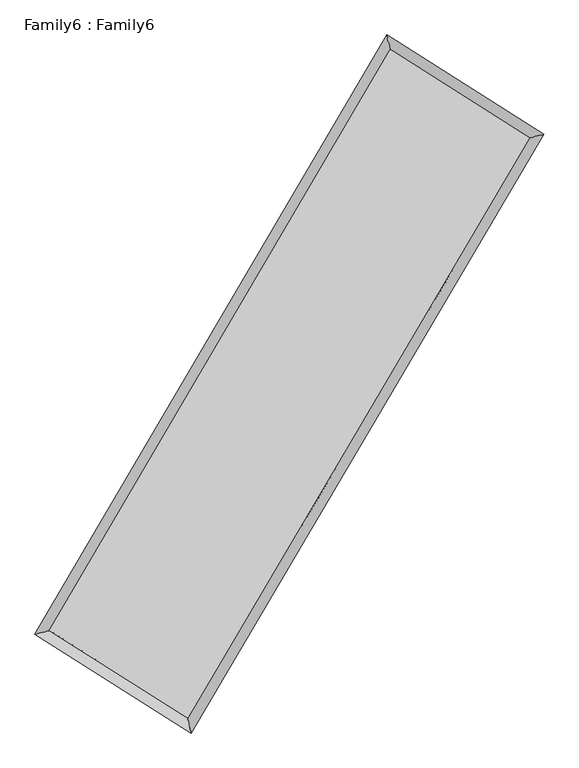
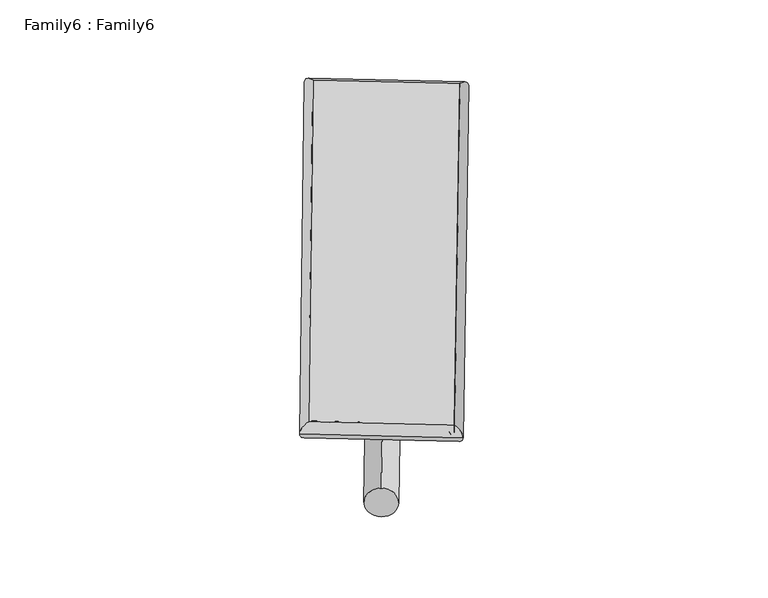
"""IFC4 building model written with IfcOpenShell, lengths in millimetres: plate geometry, Family6 : Family6."""

from ifc_helpers import new_model, si_unit, point, frame, origin, origin_2d, place, context, project, spatial, circle_curve, ellipse_curve, trimmed, segment, composite_curve, outline, extrude, source, transform, mapped, element, save
from ifc_brep_helpers import plane_surface, cylinder_surface, spline_surface, advanced_brep


def family6_family6_816b775a(model_context):
    return source(origin(), model_context, "Body", "SolidModel", [
        extrude(outline(composite_curve([segment(trimmed(circle_curve(origin_2d(), 76.2), [point((-75.4341514, -10.7763073))], [point((75.4341514, 10.7763073))], False, "CARTESIAN"), True, "CONTINUOUS"), segment(trimmed(circle_curve(origin_2d(), 76.2), [point((75.4341514, 10.7763073))], [point((-75.4341514, -10.7763073))], False, "CARTESIAN"), True, "CONTINUOUS")], self_intersect=False)), frame((9144.0, 9144.0, 0.0), z_axis=(0.6727272080799996, 0.6868882505300606, 0.27499569958936027), x_axis=(-0.6791130075608331, 0.7207554007057171, -0.1389862414601579)), (0.0, 0.0, 1.0), 5543.3069077),
        extrude(outline(composite_curve([segment(trimmed(circle_curve(origin_2d(), 76.2), [point((-53.8815367, 53.8815367))], [point((53.8815367, -53.8815367))], False, "CARTESIAN"), True, "CONTINUOUS"), segment(trimmed(circle_curve(origin_2d(), 76.2), [point((53.8815367, -53.8815367))], [point((-53.8815367, 53.8815367))], False, "CARTESIAN"), True, "CONTINUOUS")], self_intersect=False)), frame((9144.0, 9144.0, 0.0), z_axis=(-0.671668717419568, -0.6879260790251518, 0.2749888067486258), x_axis=(0.6431262081398343, -0.35715974839332043, 0.6773666618097605)), (0.0, 0.0, 1.0), 5543.3436414),
        extrude(outline(composite_curve([segment(trimmed(circle_curve(origin_2d(), 76.2), [point((-53.8815367, -53.8815367))], [point((53.8815367, 53.8815367))], False, "CARTESIAN"), True, "CONTINUOUS"), segment(trimmed(circle_curve(origin_2d(), 76.2), [point((53.8815367, 53.8815367))], [point((-53.8815367, -53.8815367))], False, "CARTESIAN"), True, "CONTINUOUS")], self_intersect=False)), frame((9144.0, 9144.0, 0.0), z_axis=(0.27756143161264135, 0.9218368243112531, 0.27051159129487423), x_axis=(-0.8388967513063957, 0.3697877404904252, -0.39938611346735786)), (0.0, 0.0, 1.0), 5621.8231278),
        extrude(outline(composite_curve([segment(trimmed(circle_curve(origin_2d(), 76.2), [point((-75.4341514, 10.7763074))], [point((75.4341514, -10.7763074))], False, "CARTESIAN"), True, "CONTINUOUS"), segment(trimmed(circle_curve(origin_2d(), 76.2), [point((75.4341514, -10.7763074))], [point((-75.4341514, 10.7763074))], False, "CARTESIAN"), True, "CONTINUOUS")], self_intersect=False)), frame((9144.0, 9144.0, 0.0), z_axis=(-0.2787163245169455, -0.9214154838327568, 0.27075951802478043), x_axis=(0.8775152187073583, -0.12977924983651157, 0.4616539691683043)), (0.0, 0.0, 1.0), 5616.348861),
        advanced_brep(
        [(5214.5344259, 5280.4791515, 1524.0701995), (5214.5340138, 5280.4785358, 1524.726029), (5626.8845464, 5380.6995367, 1524.6447072), (10755.9643551, 14113.2772481, 1521.1605997), (10652.8381962, 14539.5299099, 1520.3760408), (5626.8849586, 5380.7001524, 1523.9888777), (12666.9232302, 12901.9099189, 1524.3478991), (13079.3435289, 13001.354849, 1524.4232231), (7527.1051868, 4181.7218501, 1520.7505124), (7630.1585898, 3756.2965436, 1520.6093089)],
        [
            (0, 1, ellipse_curve(frame((5420.7094862, 5330.5893441, 1524.3574533), z_axis=(-0.23617230570643735, 0.9717108924925424, 0.0007638250139646079), x_axis=(-0.971710144785406, -0.23617313247377966, 0.001282972582567479)), 212.17814, 152.4)),
            (1, 2, ellipse_curve(frame((5420.7094862, 5330.5893441, 1524.3574533), z_axis=(-0.23617230570643735, 0.9717108924925424, 0.0007638250139646079), x_axis=(-0.971710144785406, -0.23617313247377966, 0.001282972582567479)), 212.17814, 152.4)),
            (2, 3),
            (3, 4, ellipse_curve(frame((10704.4012756, 14326.403579, 1520.7683203), z_axis=(-0.9719578983767084, -0.23515368828218505, -0.0007659441344635013), x_axis=(0.2351526751637437, -0.971957681017747, 0.0012188822496050668)), 219.2755223, 152.4)),
            (4, 0),
            (2, 5, ellipse_curve(frame((5420.7094862, 5330.5893441, 1524.3574533), z_axis=(-0.23617230570643735, 0.9717108924925424, 0.0007638250139646079), x_axis=(-0.971710144785406, -0.23617313247377966, 0.001282972582567479)), 212.17814, 152.4)),
            (5, 0, ellipse_curve(frame((5420.7094862, 5330.5893441, 1524.3574533), z_axis=(-0.23617230570643735, 0.9717108924925424, 0.0007638250139646079), x_axis=(-0.971710144785406, -0.23617313247377966, 0.001282972582567479)), 212.17814, 152.4)),
            (4, 3, ellipse_curve(frame((10704.4012756, 14326.403579, 1520.7683203), z_axis=(-0.9719578983767084, -0.23515368828218505, -0.0007659441344635013), x_axis=(0.2351526751637437, -0.971957681017747, 0.0012188822496050668)), 219.2755223, 152.4)),
            (3, 6),
            (6, 7, ellipse_curve(frame((12873.1333795, 12951.632384, 1524.3855611), z_axis=(-0.23440691388060522, 0.9721382933409775, -0.000733038240667595), x_axis=(-0.9721375549847993, -0.23440769205635484, -0.0012681060639450233)), 212.1202508, 152.4)),
            (7, 4),
            (7, 6, ellipse_curve(frame((12873.1333795, 12951.632384, 1524.3855611), z_axis=(-0.23440691388060522, 0.9721382933409775, -0.000733038240667595), x_axis=(-0.9721375549847993, -0.23440769205635484, -0.0012681060639450233)), 212.1202508, 152.4)),
            (6, 8),
            (8, 9, ellipse_curve(frame((7578.6318883, 3969.0091968, 1520.6799107), z_axis=(0.9718915846304909, 0.23542756793140251, -0.0007797322222006798), x_axis=(-0.23542650657847147, 0.9718913485588125, 0.001251637643231863)), 218.8646219, 152.4)),
            (9, 7),
            (9, 8, ellipse_curve(frame((7578.6318883, 3969.0091968, 1520.6799107), z_axis=(0.9718915846304909, 0.23542756793140251, -0.0007797322222006798), x_axis=(-0.23542650657847147, 0.9718913485588125, 0.001251637643231863)), 218.8646219, 152.4)),
            (8, 5),
            (1, 9),
        ],
        [
            cylinder_surface(frame((5420.7094862, 5330.5893441, 1524.3574533), z_axis=(-0.506452884283362, -0.8622675673172735, 0.0003440258926135013), x_axis=(-0.8622658836122871, 0.5064510103788986, -0.0022181173356439626)), 152.4),
            cylinder_surface(frame((10704.4012756, 14326.403579, 1520.7683203), z_axis=(-0.84459972874252, 0.5353964080346265, -0.0014087127746554686), x_axis=(0.535397934098963, 0.844599197931336, -0.0011166988432218935)), 152.4),
            cylinder_surface(frame((12873.1333795, 12951.632384, 1524.3855611), z_axis=(0.5077755590454895, 0.8614893239794206, 0.00035539488107663286), x_axis=(0.8614893918312851, -0.5077755590454895, -9.694432951933979e-05)), 152.4),
            cylinder_surface(frame((7578.6318883, 3969.0091968, 1520.6799107), z_axis=(0.8457211933762226, -0.5336230746314085, -0.001441282491584579), x_axis=(-0.5336221038728352, -0.8457224161032517, 0.0010223300874689202)), 152.4),
        ],
        [
            (0, [[1, 2, 3, 4, 5]]),
            (0, [[6, 7, -5, 8, -3]]),
            (1, [[-4, 9, 10, 11]]),
            (1, [[-8, -11, 12, -9]]),
            (2, [[-10, 13, 14, 15]]),
            (2, [[-12, -15, 16, -13]]),
            (3, [[-14, 17, -6, -2, 18]]),
            (3, [[-16, -18, -1, -7, -17]]),
        ],
    ),
        extrude(outline(composite_curve([segment(trimmed(circle_curve(origin_2d(), 304.8), [point((0.0, 304.8))], [point((-1e-07, -304.8))], False, "CARTESIAN"), True, "CONTINUOUS"), segment(trimmed(circle_curve(origin_2d(), 304.8), [point((-1e-07, -304.8))], [point((0.0, 304.8))], False, "CARTESIAN"), True, "CONTINUOUS")], self_intersect=False)), frame((11796.3852103, 13646.9546326, -2.74e-05), z_axis=(-0.5075301555024153, -0.8616339949512752, 5.239487528319966e-09), x_axis=(-0.8616339949512752, 0.5075301555024153, -1.4284214443939595e-09)), (0.0, 0.0, 1.0), 10452.1285349),
        advanced_brep(
        [(5420.7094862, 5330.5893441, 1524.3574533), (7578.6318883, 3969.0091968, 1520.6799107), (7578.6324025, 3969.0079225, 1673.0799107), (5420.7100005, 5330.5880697, 1676.7574533), (12873.1333795, 12951.632384, 1524.3855611), (12873.1338938, 12951.6311096, 1676.7855611), (10704.4012756, 14326.403579, 1520.7683203), (10704.4017899, 14326.4023046, 1673.1683203)],
        [
            (0, 1),
            (1, 2),
            (2, 3),
            (3, 0),
            (1, 4),
            (4, 5),
            (5, 2),
            (4, 6),
            (6, 7),
            (7, 5),
            (6, 0),
            (3, 7),
        ],
        [
            plane_surface(frame((6499.6706872, 4649.7992705, 1522.518682), z_axis=(-0.533623635296329, -0.8457220677180806, -5.271149684896691e-06), x_axis=(0.8457211933762229, -0.5336230746314079, -0.0014412824915845794))),
            plane_surface(frame((10225.8826339, 8460.3207904, 1522.5327359), z_axis=(0.8614893796536827, -0.5077755889098505, -7.15317341244386e-06), x_axis=(0.5077755590454894, 0.8614893239794208, 0.00035539488107663237))),
            plane_surface(frame((11788.7673276, 13639.0179815, 1522.5769407), z_axis=(0.5353969330141873, 0.8446005707382507, 5.255787628492608e-06), x_axis=(-0.84459972874252, 0.5353964080346265, -0.0014087127746554692))),
            plane_surface(frame((8062.5553809, 9828.4964616, 1522.5628868), z_axis=(-0.862267617076749, 0.5064529163601862, 7.1447394842417695e-06), x_axis=(-0.5064528842833619, -0.8622675673172736, 0.0003440258926135011))),
            spline_surface(1, 1, [[(7578.6324025, 3969.0079225, 1673.0799107), (5420.7100005, 5330.5880697, 1676.7574533)], [(12873.1338938, 12951.6311096, 1676.7855611), (10704.4017899, 14326.4023046, 1673.1683203)]], [2, 2], [2, 2], [0.0, 1.0], [0.0, 1.0]),
            spline_surface(1, 1, [[(10704.4012756, 14326.403579, 1520.7683203), (5420.7094862, 5330.5893441, 1524.3574533)], [(12873.1333795, 12951.632384, 1524.3855611), (7578.6318883, 3969.0091968, 1520.6799107)]], [2, 2], [2, 2], [0.0, 1.0], [0.0, 1.0]),
        ],
        [
            (0, [[1, 2, 3, 4]]),
            (1, [[5, 6, 7, -2]]),
            (2, [[8, 9, 10, -6]]),
            (3, [[11, -4, 12, -9]]),
            (4, [[-3, -7, -10, -12]]),
            (5, [[-11, -8, -5, -1]]),
        ],
    ),
    ])


if __name__ == "__main__":
    model = new_model("IFC4")
    model_context = context("Model", 3, world=origin())
    ifc_project = project(units=[si_unit("LENGTHUNIT", "METRE", prefix="MILLI")], contexts=[model_context])
    site = spatial("IfcSite", under=ifc_project)
    building = spatial("IfcBuilding", under=site)
    placement = place(None, origin())
    family6_family6_shape = family6_family6_816b775a(model_context)
    element("IfcPlate", 1, ObjectType="Family6 : Family6", at=placement, inside=building, context=model_context, shape_type="MappedRepresentation", body=[
        mapped(family6_family6_shape, transform((0.0, 0.0, 0.0), x_axis=(1.0, 0.0, 0.0), y_axis=(0.0, 1.0, 0.0), z_axis=(0.0, 0.0, 1.0))),
    ])
    save(model, "model.ifc")
